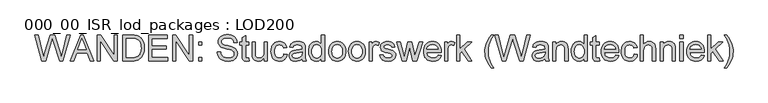
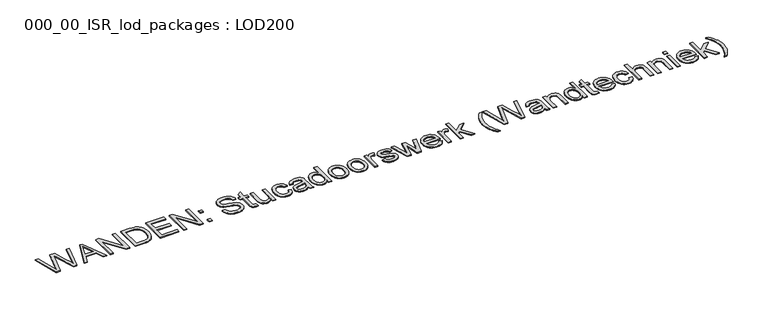
"""IFC4 building model written with IfcOpenShell, lengths in millimetres: proxy geometry, 000_00_ISR_lod_packages : LOD200."""

from ifc_helpers import new_model, si_unit, origin, origin_with_axes, place, context, project, spatial, polyline, outline, extrude, source, transform, mapped, element, save


def proxy_000_00_isr_lod_packages_lod200_cebc967c(model_context):
    return source(origin(), model_context, "Body", "SweptSolid", [
        extrude(outline(polyline([(725.9109848, 500.0), (512.2424242, 1283.5151515), (613.2424242, 1283.5151515), (737.1969697, 768.5681818), (775.4545455, 609.6079545), (816.3901515, 750.2045455), (971.7159091, 1283.5151515), (1117.2859848, 1283.5151515), (1230.1458333, 896.9223485), (1278.4938447, 753.4564394), (1314.1212121, 609.6079545), (1351.2310606, 763.9772727), (1476.3333333, 1283.5151515), (1577.3333333, 1283.5151515), (1363.4734848, 500.0), (1258.8390152, 500.0), (1070.9943182, 1104.469697), (1044.7878788, 1188.8276515), (1015.3295455, 1087.2537879), (844.1268939, 500.0), (725.9109848, 500.0)])), origin_with_axes(), (0.0, 0.0, 1.0), 25.0),
        extrude(outline(polyline([(1584.0284091, 500.0), (1896.7840909, 1283.5151515), (1980.1856061, 1283.5151515), (2292.9412879, 500.0), (2189.4545455, 500.0), (2099.7405303, 744.8484848), (1777.0378788, 744.8484848), (1687.5151515, 500.0), (1584.0284091, 500.0)]), holes=[polyline([(1813.0, 842.7878788), (2063.969697, 842.7878788), (1993.3844697, 1035.4147727), (1938.4848485, 1185.5757576), (1889.7064394, 1052.2481061), (1813.0, 842.7878788)])]), origin_with_axes(), (0.0, 0.0, 1.0), 25.0),
        extrude(outline(polyline([(2397.5757576, 500.0), (2397.5757576, 1283.5151515), (2502.4015152, 1283.5151515), (2911.7575758, 662.7859848), (2911.7575758, 1283.5151515), (3009.6969697, 1283.5151515), (3009.6969697, 500.0), (2904.8712121, 500.0), (2495.5151515, 1120.9204545), (2495.5151515, 500.0), (2397.5757576, 500.0)])), origin_with_axes(), (0.0, 0.0, 1.0), 25.0),
        extrude(outline(polyline([(3181.0909091, 500.0), (3181.0909091, 1283.5151515), (3451.3806818, 1283.5151515), (3532.1519886, 1280.6936553), (3591.2121212, 1272.2291667), (3623.6593277, 1262.9158381), (3653.6676136, 1250.4701705), (3681.2369792, 1234.8921638), (3706.3674242, 1216.1818182), (3735.4073153, 1188.1581439), (3760.5497159, 1156.5), (3781.7946259, 1121.2073864), (3799.1420455, 1082.280303), (3812.6158854, 1040.0774148), (3822.2400568, 994.9573864), (3828.0145597, 946.9202178), (3829.9393939, 895.9659091), (3824.7267992, 811.8709754), (3809.0890152, 737.8664773), (3785.2736742, 674.8610322), (3755.5284091, 623.7632576), (3721.2878788, 583.4254261), (3683.9867424, 552.6998106), (3641.1621686, 529.912642), (3590.3513258, 513.3901515), (3531.4585701, 503.3475379), (3464.3882576, 500.0), (3181.0909091, 500.0)]), holes=[polyline([(3279.030303, 597.9393939), (3452.3371212, 597.9393939), (3524.0222538, 601.4782197), (3578.3958333, 612.094697), (3619.4270833, 629.1671402), (3651.0852273, 652.0738636), (3669.1559541, 671.7107599), (3685.1105587, 694.4680398), (3698.9490412, 720.3457031), (3710.6714015, 749.34375), (3720.0026634, 781.5219579), (3726.6678504, 816.9401042), (3732.0, 897.4962121), (3729.3877249, 954.3565341), (3721.5508996, 1004.2348485), (3708.4895241, 1047.1311553), (3690.2035985, 1083.0454545), (3668.1756037, 1112.7907197), (3643.8880208, 1137.1799242), (3617.3408499, 1156.2130682), (3588.5340909, 1169.8901515), (3563.6427557, 1176.7526042), (3532.1998106, 1181.6543561), (3449.6590909, 1185.5757576), (3279.030303, 1185.5757576), (3279.030303, 597.9393939)])]), origin_with_axes(), (0.0, 0.0, 1.0), 25.0),
        extrude(outline(polyline([(3964.6060606, 500.0), (3964.6060606, 1283.5151515), (4527.7575758, 1283.5151515), (4527.7575758, 1185.5757576), (4062.5454545, 1185.5757576), (4062.5454545, 952.969697), (4503.2727273, 952.969697), (4503.2727273, 855.030303), (4062.5454545, 855.030303), (4062.5454545, 597.9393939), (4540.0, 597.9393939), (4540.0, 500.0), (3964.6060606, 500.0)])), origin_with_axes(), (0.0, 0.0, 1.0), 25.0),
        extrude(outline(polyline([(4686.9090909, 500.0), (4686.9090909, 1283.5151515), (4791.7348485, 1283.5151515), (5201.0909091, 662.7859848), (5201.0909091, 1283.5151515), (5299.030303, 1283.5151515), (5299.030303, 500.0), (5194.2045455, 500.0), (4784.8484848, 1120.9204545), (4784.8484848, 500.0), (4686.9090909, 500.0)])), origin_with_axes(), (0.0, 0.0, 1.0), 25.0),
        extrude(outline(polyline([(5482.6666667, 500.0), (5482.6666667, 597.9393939), (5580.6060606, 597.9393939), (5580.6060606, 500.0), (5482.6666667, 500.0)])), origin_with_axes(), (0.0, 0.0, 1.0), 25.0),
        extrude(outline(polyline([(5482.6666667, 977.4545455), (5482.6666667, 1075.3939394), (5580.6060606, 1075.3939394), (5580.6060606, 977.4545455), (5482.6666667, 977.4545455)])), origin_with_axes(), (0.0, 0.0, 1.0), 25.0),
        extrude(outline(polyline([(6045.8181818, 769.3333333), (6143.7575758, 769.3333333), (6154.9957386, 714.9836648), (6164.0221354, 691.8079427), (6175.3200758, 671.2982955), (6189.4634233, 653.0422585), (6207.0260417, 636.6273674), (6228.0079309, 622.0536222), (6252.4090909, 609.3210227), (6279.3328598, 598.9854995), (6307.8825758, 591.602983), (6369.8598485, 585.6969697), (6424.4247159, 590.1683239), (6472.1988636, 603.5823864), (6510.9107481, 624.8153409), (6526.0165128, 637.9424716), (6538.2888258, 652.7433712), (6554.5722064, 684.8080019), (6560.0, 718.4507576), (6555.9351326, 751.2327178), (6543.7405303, 779.5672348), (6533.4827178, 792.1384351), (6518.96875, 803.7412405), (6477.1723485, 824.0416667), (6425.4528883, 839.4164299), (6334.5672348, 861.438447), (6240.9557292, 886.1863163), (6181.0587121, 909.7386364), (6154.9060724, 925.340554), (6132.304214, 942.6879735), (6113.2531368, 961.7808949), (6097.7528409, 982.6193182), (6085.7435488, 1004.9880445), (6077.165483, 1028.671875), (6072.0186435, 1053.6708097), (6070.3030303, 1079.9848485), (6072.4251302, 1109.1502723), (6078.7914299, 1137.3473011), (6089.4019295, 1164.5759351), (6104.2566288, 1190.8361742), (6123.188151, 1215.0580019), (6146.0291193, 1236.1714015), (6172.7795336, 1254.1763731), (6203.4393939, 1269.0729167), (6236.9745502, 1280.747455), (6272.3508523, 1289.086411), (6309.5683002, 1294.0897846), (6348.6268939, 1295.7575758), (6391.2362689, 1294.0120739), (6431.2632576, 1288.7755682), (6468.7078598, 1280.0480587), (6503.5700758, 1267.8295455), (6535.2043087, 1252.2276278), (6562.9649621, 1233.3499053), (6586.852036, 1211.1963778), (6606.8655303, 1185.7670455), (6622.8500237, 1157.8031487), (6634.6500947, 1128.045928), (6642.2657434, 1096.4953835), (6645.6969697, 1063.1515152), (6547.7575758, 1063.1515152), (6541.2059659, 1094.4031723), (6529.7765152, 1121.5899621), (6513.4692235, 1144.7118845), (6492.2840909, 1163.7689394), (6465.8265862, 1178.665483), (6433.702178, 1189.3058712), (6395.9108665, 1195.6901042), (6352.4526515, 1197.8181818), (6307.6075994, 1195.7140152), (6269.2902462, 1189.4015152), (6237.5005919, 1178.8806818), (6212.2386364, 1164.1515152), (6192.9902936, 1146.4454309), (6179.2414773, 1126.9938447), (6170.9921875, 1105.7967566), (6168.2424242, 1082.8541667), (6170.1911695, 1063.1156487), (6176.0374053, 1045.2182765), (6185.7811316, 1029.1620502), (6199.4223485, 1014.9469697), (6220.8944129, 1001.4850852), (6254.7045455, 987.8797348), (6359.3390152, 960.2386364), (6467.3210227, 933.984375), (6532.6458333, 911.0776515), (6562.6720526, 894.3519176), (6588.477983, 875.545928), (6610.0636245, 854.6596828), (6627.4289773, 831.6931818), (6640.7772846, 806.7659801), (6650.3117898, 779.9976326), (6656.0324929, 751.3881392), (6657.9393939, 720.9375), (6655.7455611, 690.3015507), (6649.1640625, 660.5622633), (6638.1948982, 631.7196378), (6622.8380682, 603.7736742), (6603.362571, 577.8063447), (6580.0374053, 554.8996212), (6552.862571, 535.0535038), (6521.8380682, 518.2679924), (6487.8665365, 504.9196851), (6451.8506155, 495.3851799), (6413.7903054, 489.6644768), (6373.6856061, 487.7575758), (6323.5861151, 489.8139205), (6277.7308239, 495.9829545), (6236.1197325, 506.264678), (6198.7528409, 520.6590909), (6165.4029948, 539.1901042), (6135.8430398, 561.8816288), (6110.0729759, 588.7336648), (6088.092803, 619.7462121), (6070.3867188, 653.9150095), (6057.4389205, 690.2357955), (6049.2494081, 728.7085701), (6045.8181818, 769.3333333)])), origin_with_axes(), (0.0, 0.0, 1.0), 25.0),
        extrude(outline(polyline([(7000.7272727, 581.6799242), (7012.969697, 497.1306818), (6974.1860795, 490.1008523), (6939.7064394, 487.7575758), (6892.6974432, 491.8224432), (6857.6439394, 504.0170455), (6832.8721591, 522.8110795), (6816.7083333, 546.6742424), (6807.813447, 587.6576705), (6804.8484848, 657.8125), (6804.8484848, 977.4545455), (6731.3939394, 977.4545455), (6731.3939394, 1075.3939394), (6804.8484848, 1075.3939394), (6804.8484848, 1215.2253788), (6902.7878788, 1272.8030303), (6902.7878788, 1075.3939394), (7000.7272727, 1075.3939394), (7000.7272727, 977.4545455), (6902.7878788, 977.4545455), (6902.7878788, 660.6818182), (6904.079072, 628.4498106), (6907.9526515, 610.1818182), (6914.7194602, 600.0674716), (6924.6903409, 592.2964015), (6938.821733, 587.3468277), (6958.0700758, 585.6969697), (7000.7272727, 581.6799242)])), origin_with_axes(), (0.0, 0.0, 1.0), 25.0),
        extrude(outline(polyline([(7465.9393939, 500.0), (7465.9393939, 598.8958333), (7448.9506392, 572.8478042), (7430.5033144, 550.2728456), (7410.5974195, 531.1709576), (7389.2329545, 515.5421402), (7366.4099195, 503.3863932), (7342.1283144, 494.7037169), (7316.3881392, 489.494111), (7289.1893939, 487.7575758), (7241.4869792, 492.6354167), (7197.0842803, 507.2689394), (7159.8309659, 529.2670455), (7133.5767045, 556.2386364), (7115.9064867, 588.9966856), (7104.405303, 628.3541667), (7100.1013258, 665.4640152), (7098.6666667, 719.407197), (7098.6666667, 1075.3939394), (7196.6060606, 1075.3939394), (7196.6060606, 765.5075758), (7198.0885417, 703.530303), (7202.5359848, 665.655303), (7216.8108428, 632.3473011), (7227.7680516, 618.688151), (7241.2717803, 607.0255682), (7274.2928504, 591.0291193), (7314.2481061, 585.6969697), (7356.4988163, 591.1486742), (7396.0236742, 607.5037879), (7413.7118253, 619.3935251), (7428.6143466, 633.2559186), (7440.7312382, 649.0909683), (7450.0625, 666.8986742), (7461.9701705, 712.975142), (7465.9393939, 776.0284091), (7465.9393939, 1075.3939394), (7563.8787879, 1075.3939394), (7563.8787879, 500.0), (7465.9393939, 500.0)])), origin_with_axes(), (0.0, 0.0, 1.0), 25.0),
        extrude(outline(polyline([(8065.8181818, 708.1212121), (8163.7575758, 695.8787879), (8153.105232, 649.6648319), (8136.4512311, 608.7710701), (8113.7955729, 573.1975024), (8085.1382576, 542.9441288), (8051.6867898, 518.8000118), (8014.6486742, 501.554214), (7974.023911, 491.2067353), (7929.8125, 487.7575758), (7874.8829901, 492.5696615), (7825.632339, 507.0059186), (7782.0605469, 531.0663471), (7744.1676136, 564.750947), (7713.4957978, 607.4260772), (7691.587358, 658.4580966), (7678.442294, 717.8470052), (7674.0606061, 785.592803), (7675.9316406, 830.6231652), (7681.5447443, 872.7483428), (7690.8999171, 911.9683357), (7703.9971591, 948.2831439), (7720.9261364, 980.9634825), (7741.7765152, 1009.2800663), (7766.5482955, 1033.2328954), (7795.2414773, 1052.8219697), (7826.5588897, 1068.053267), (7859.2033617, 1078.9327652), (7893.1748935, 1085.460464), (7928.4734848, 1087.6363636), (7971.9257221, 1084.6474905), (8011.2294034, 1075.6808712), (8046.3845289, 1060.7365057), (8077.3910985, 1039.8143939), (8103.7230705, 1013.3927557), (8124.8544034, 981.9498106), (8140.7850971, 945.4855587), (8151.5151515, 904.0), (8053.5757576, 891.7575758), (8045.9302202, 914.6344105), (8035.8098958, 934.4865057), (8023.2147846, 951.3138613), (8008.1448864, 965.1164773), (7990.982777, 975.8704427), (7972.1110322, 983.5518466), (7951.529652, 988.1606889), (7929.2386364, 989.6969697), (7895.9605232, 986.6722301), (7865.9462595, 977.5980114), (7839.1958452, 962.4743134), (7815.7092803, 941.3011364), (7796.5864702, 913.5883049), (7782.9273201, 878.8456439), (7774.73183, 837.0731534), (7772.0, 788.2708333), (7774.6720526, 738.7332505), (7782.6882102, 696.4765625), (7796.048473, 661.5007694), (7814.7528409, 633.8058712), (7837.7731416, 612.7582268), (7864.0812027, 597.7241951), (7893.6770241, 588.703776), (7926.5606061, 585.6969697), (7953.059955, 587.573982), (7977.2758049, 593.2050189), (7999.2081558, 602.5900805), (8018.8570076, 615.7291667), (8035.6724077, 632.7657434), (8049.1044034, 653.8432765), (8059.1529948, 678.9617661), (8065.8181818, 708.1212121)])), origin_with_axes(), (0.0, 0.0, 1.0), 25.0),
        extrude(outline(polyline([(8616.7272727, 573.4545455), (8569.9334754, 533.3319129), (8546.0165128, 518.4712358), (8521.7528409, 507.0776515), (8471.085464, 492.5875947), (8416.8314394, 487.7575758), (8373.2237808, 490.6627604), (8334.9841383, 499.3783144), (8302.1125118, 513.9042377), (8274.6089015, 534.2405303), (8252.8917495, 559.0959991), (8237.3794981, 587.1794508), (8228.0721473, 618.4908854), (8224.969697, 653.030303), (8229.65625, 693.6311553), (8243.7159091, 730.5018939), (8265.4031723, 762.0643939), (8292.9725379, 786.7405303), (8325.3719223, 805.3910985), (8361.5492424, 818.8768939), (8446.2897727, 833.6060606), (8546.4289773, 849.1003788), (8616.1534091, 867.2727273), (8616.7272727, 889.0795455), (8615.0415483, 912.8231534), (8609.984375, 932.7888258), (8601.5557528, 948.9765625), (8589.7556818, 961.3863636), (8569.3596117, 973.7722538), (8544.5160985, 982.6193182), (8515.225142, 987.9275568), (8481.4867424, 989.6969697), (8423.1439394, 984.9865057), (8400.5719697, 979.0984257), (8382.3996212, 970.8551136), (8367.4672112, 959.610973), (8354.6150568, 944.7204072), (8343.8431581, 926.1834162), (8335.1515152, 904.0), (8237.2121212, 916.2424242), (8254.2128314, 969.8030303), (8265.8515033, 992.2793561), (8279.5823864, 1011.8863636), (8295.9972775, 1029.0185843), (8315.6879735, 1044.0705492), (8338.6544744, 1057.0422585), (8364.8967803, 1067.9337121), (8425.0807292, 1082.7107008), (8494.1117424, 1087.6363636), (8560.3212595, 1083.2845644), (8612.8058712, 1070.2291667), (8652.3785511, 1050.5982481), (8679.8522727, 1026.5198864), (8698.0724432, 996.7507102), (8709.8844697, 960.0473485), (8713.4711174, 926.1893939), (8714.6666667, 874.3503788), (8714.6666667, 752.5), (8715.9100379, 646.3591383), (8719.6401515, 582.3494318), (8727.0047348, 540.2900095), (8739.1515152, 500.0), (8641.2121212, 500.0), (8625.5265152, 534.0492424), (8616.7272727, 573.4545455)]), holes=[polyline([(8616.7272727, 769.3333333), (8550.9242424, 753.0260417), (8458.7234848, 739.3011364), (8407.912642, 731.7930871), (8374.4611742, 723.4242424), (8352.5348011, 712.5686553), (8336.2992424, 697.6003788), (8326.2566288, 679.6671402), (8322.9090909, 659.9166667), (8324.7323035, 644.6973248), (8330.2019413, 630.7930871), (8339.3180043, 618.2039536), (8352.0804924, 606.9299242), (8368.3698509, 597.6405066), (8388.0665246, 591.0052083), (8437.6818182, 585.6969697), (8490.2859848, 591.555161), (8514.2926136, 598.8779001), (8536.7689394, 609.1297348), (8574.4526515, 635.0253314), (8600.6590909, 665.8465909), (8612.2798295, 697.6003788), (8616.1534091, 741.5965909), (8616.7272727, 769.3333333)])]), origin_with_axes(), (0.0, 0.0, 1.0), 25.0),
        extrude(outline(polyline([(9204.3636364, 500.0), (9204.3636364, 592.3920455), (9175.0607244, 546.614465), (9158.0869141, 528.6304155), (9139.5648674, 513.9161932), (9119.4945845, 502.4717981), (9097.8760653, 494.2972301), (9074.7093099, 489.3924893), (9049.9943182, 487.7575758), (9017.6666667, 490.1247633), (8986.6780303, 497.2263258), (8957.0284091, 509.0622633), (8928.717803, 525.6325758), (8902.6309186, 546.4411103), (8879.6524621, 570.991714), (8859.7824337, 599.2843868), (8843.0208333, 631.3191288), (8829.7143703, 666.4862098), (8820.2097538, 704.1758996), (8814.5069839, 744.3881984), (8812.6060606, 787.1231061), (8814.3575402, 829.074929), (8819.6119792, 869.0421402), (8828.3693774, 907.0247396), (8840.6297348, 943.0227273), (8856.3870739, 975.9840199), (8875.6354167, 1004.8565341), (8898.3747633, 1029.6402699), (8924.6051136, 1050.3352273), (8953.3999171, 1066.6544744), (8983.8326231, 1078.3110795), (9015.9032315, 1085.3050426), (9049.6117424, 1087.6363636), (9074.2639678, 1085.9685724), (9097.5293561, 1080.9651989), (9119.4079072, 1072.6262429), (9139.8996212, 1060.9517045), (9175.8139205, 1030.273911), (9204.3636364, 991.6098485), (9204.3636364, 1283.5151515), (9302.3030303, 1283.5151515), (9302.3030303, 500.0), (9204.3636364, 500.0)]), holes=[polyline([(8910.5454545, 787.5056818), (8913.3071733, 740.0124882), (8921.5923295, 698.915483), (8935.4009233, 664.2146662), (8954.7329545, 635.9100379), (8977.8190104, 613.9418205), (9002.889678, 598.2502367), (9029.9449574, 588.8352865), (9058.9848485, 585.6969697), (9088.1622277, 588.6918205), (9115.056108, 597.6763731), (9139.6664891, 612.6506274), (9161.9933712, 633.6145833), (9180.5303622, 660.7356179), (9193.7710701, 694.181108), (9201.7154948, 733.9510535), (9204.3636364, 780.0454545), (9201.6676728, 830.581321), (9193.5797822, 873.9199811), (9180.0999645, 910.0614347), (9161.2282197, 939.0056818), (9138.4111624, 961.1831203), (9113.0954072, 977.0241477), (9085.2809541, 986.5287642), (9054.967803, 989.6969697), (9025.3540483, 986.6542969), (8998.2987689, 977.5262784), (8973.801965, 962.3129143), (8951.8636364, 941.0142045), (8933.7869318, 913.1638849), (8920.875, 878.2956913), (8913.1278409, 836.4096236), (8910.5454545, 787.5056818)])]), origin_with_axes(), (0.0, 0.0, 1.0), 25.0),
        extrude(outline(polyline([(9424.7272727, 787.6969697), (9430.0235559, 862.215554), (9436.6439098, 895.6102332), (9445.9124053, 926.4285038), (9457.8290424, 954.6703658), (9472.393821, 980.3358191), (9489.6067412, 1003.4248639), (9509.467803, 1023.9375), (9546.7928504, 1051.8057528), (9587.9914773, 1071.7116477), (9633.0636837, 1083.6551847), (9682.0094697, 1087.6363636), (9736.0423177, 1082.7884115), (9784.8984375, 1068.2445549), (9828.5778291, 1044.004794), (9867.0804924, 1010.0691288), (9898.5055043, 967.5852865), (9920.9519413, 917.7009943), (9934.4198035, 860.4162524), (9938.9090909, 795.7310606), (9936.9244792, 743.3062263), (9930.9706439, 696.7874053), (9921.0475852, 656.1745975), (9907.155303, 621.467803), (9889.467152, 591.4894058), (9868.1564867, 565.0617898), (9843.2233073, 542.184955), (9814.6676136, 522.8589015), (9783.6012666, 507.5020715), (9751.1361269, 496.5329072), (9717.2721946, 489.9514086), (9682.0094697, 487.7575758), (9627.1875592, 492.5875947), (9577.8771307, 507.0776515), (9534.0781842, 531.2277462), (9495.7907197, 565.0378788), (9464.7004616, 607.9341856), (9442.4931345, 659.342803), (9429.1687382, 719.2637311), (9424.7272727, 787.6969697)]), holes=[polyline([(9522.6666667, 787.8882576), (9525.5001184, 740.3831084), (9534.0004735, 699.2502367), (9548.167732, 664.4896425), (9568.0018939, 636.1013258), (9592.1280777, 614.04942), (9619.1714015, 598.2980587), (9649.1318655, 588.847242), (9682.0094697, 585.6969697), (9714.719697, 588.8651752), (9744.5606061, 598.3697917), (9771.532197, 614.2108191), (9795.6344697, 636.3882576), (9815.4686316, 665.0575284), (9829.6358902, 700.374053), (9838.1362453, 742.3378314), (9840.969697, 790.9488636), (9838.118312, 836.9476207), (9829.5641572, 877.0044981), (9815.3072325, 911.1194957), (9795.3475379, 939.2926136), (9771.155599, 961.3445194), (9744.2019413, 977.0958807), (9714.4865649, 986.5466974), (9682.0094697, 989.6969697), (9649.1318655, 986.5586529), (9619.1714015, 977.1437027), (9592.1280777, 961.4521188), (9568.0018939, 939.4839015), (9548.167732, 911.1792732), (9534.0004735, 876.4784564), (9525.5001184, 835.3814512), (9522.6666667, 787.8882576)])]), origin_with_axes(), (0.0, 0.0, 1.0), 25.0),
        extrude(outline(polyline([(10024.6060606, 787.6969697), (10029.9023438, 862.215554), (10036.5226977, 895.6102332), (10045.7911932, 926.4285038), (10057.7078303, 954.6703658), (10072.2726089, 980.3358191), (10089.4855291, 1003.4248639), (10109.3465909, 1023.9375), (10146.6716383, 1051.8057528), (10187.8702652, 1071.7116477), (10232.9424716, 1083.6551847), (10281.8882576, 1087.6363636), (10335.9211056, 1082.7884115), (10384.7772254, 1068.2445549), (10428.456617, 1044.004794), (10466.9592803, 1010.0691288), (10498.3842921, 967.5852865), (10520.8307292, 917.7009943), (10534.2985914, 860.4162524), (10538.7878788, 795.7310606), (10536.803267, 743.3062263), (10530.8494318, 696.7874053), (10520.9263731, 656.1745975), (10507.0340909, 621.467803), (10489.3459399, 591.4894058), (10468.0352746, 565.0617898), (10443.1020952, 542.184955), (10414.5464015, 522.8589015), (10383.4800545, 507.5020715), (10351.0149148, 496.5329072), (10317.1509825, 489.9514086), (10281.8882576, 487.7575758), (10227.0663471, 492.5875947), (10177.7559186, 507.0776515), (10133.9569721, 531.2277462), (10095.6695076, 565.0378788), (10064.5792495, 607.9341856), (10042.3719223, 659.342803), (10029.047526, 719.2637311), (10024.6060606, 787.6969697)]), holes=[polyline([(10122.5454545, 787.8882576), (10125.3789063, 740.3831084), (10133.8792614, 699.2502367), (10148.0465199, 664.4896425), (10167.8806818, 636.1013258), (10192.0068655, 614.04942), (10219.0501894, 598.2980587), (10249.0106534, 588.847242), (10281.8882576, 585.6969697), (10314.5984848, 588.8651752), (10344.4393939, 598.3697917), (10371.4109848, 614.2108191), (10395.5132576, 636.3882576), (10415.3474195, 665.0575284), (10429.514678, 700.374053), (10438.0150331, 742.3378314), (10440.8484848, 790.9488636), (10437.9970999, 836.9476207), (10429.4429451, 877.0044981), (10415.1860204, 911.1194957), (10395.2263258, 939.2926136), (10371.0343868, 961.3445194), (10344.0807292, 977.0958807), (10314.3653527, 986.5466974), (10281.8882576, 989.6969697), (10249.0106534, 986.5586529), (10219.0501894, 977.1437027), (10192.0068655, 961.4521188), (10167.8806818, 939.4839015), (10148.0465199, 911.1792732), (10133.8792614, 876.4784564), (10125.3789063, 835.3814512), (10122.5454545, 787.8882576)])]), origin_with_axes(), (0.0, 0.0, 1.0), 25.0),
        extrude(outline(polyline([(10648.969697, 500.0), (10648.969697, 1075.3939394), (10734.6666667, 1075.3939394), (10734.6666667, 990.2708333), (10766.3248106, 1039.6231061), (10795.4962121, 1068.6988636), (10824.7632576, 1082.9019886), (10856.7083333, 1087.6363636), (10881.0018939, 1085.7473958), (10905.4867424, 1080.0804924), (10930.1628788, 1070.6356534), (10955.030303, 1057.4128788), (10922.3200758, 969.6117424), (10887.8882576, 984.6756629), (10853.4564394, 989.6969697), (10824.2133049, 984.8669508), (10798.0785985, 970.3768939), (10776.9651989, 947.3267045), (10762.7859848, 916.8162879), (10750.8783144, 862.1079545), (10746.9090909, 802.4261364), (10746.9090909, 500.0), (10648.969697, 500.0)])), origin_with_axes(), (0.0, 0.0, 1.0), 25.0),
        extrude(outline(polyline([(10979.5151515, 671.3939394), (11077.4545455, 683.6363636), (11083.3725142, 661.3035038), (11092.9010417, 641.7443182), (11106.0401278, 624.9588068), (11122.7897727, 610.9469697), (11143.1977983, 599.9000947), (11167.3120265, 592.0094697), (11195.1324574, 587.2750947), (11226.6590909, 585.6969697), (11258.149858, 587.1435843), (11285.2888258, 591.483428), (11308.0759943, 598.7165009), (11326.5113636, 608.842803), (11340.7383996, 620.9178504), (11350.9005682, 633.9971591), (11356.9978693, 648.0807292), (11359.030303, 663.1685606), (11356.9859138, 676.3913352), (11350.8527462, 688.1316288), (11340.6308002, 698.3894413), (11326.3200758, 707.1647727), (11289.640625, 719.5984848), (11225.5113636, 735.092803), (11136.1321023, 760.9405777), (11078.0284091, 783.0104167), (11040.7033617, 807.0887784), (11025.8964844, 822.0510772), (11013.6600379, 838.9621212), (10997.2331913, 876.5980114), (10991.7575758, 917.9640152), (10996.157197, 955.9107481), (11009.3560606, 990.9403409), (11030.1586174, 1021.6659564), (11057.3693182, 1046.7007576), (11084.412642, 1062.4580966), (11119.6335227, 1075.6808712), (11160.3539299, 1084.6474905), (11203.8958333, 1087.6363636), (11267.6425189, 1082.8302557), (11323.0681818, 1068.4119318), (11367.6382576, 1045.7921402), (11384.9019886, 1031.9357244), (11398.8181818, 1016.3816288), (11419.4772727, 978.0044981), (11432.4848485, 928.4848485), (11334.5454545, 916.2424242), (11329.8768348, 932.6035156), (11322.1834754, 947.0636837), (11311.4653764, 959.6229285), (11297.7225379, 970.28125), (11280.8951823, 978.7756274), (11260.9235322, 984.8430398), (11211.5473485, 989.6969697), (11155.3087121, 985.0582386), (11134.2192235, 979.2598248), (11117.8162879, 971.1420455), (11096.7267992, 951.0568182), (11091.4544271, 939.8664773), (11089.6969697, 927.9109848), (11092.6141098, 912.8470644), (11101.3655303, 899.4090909), (11116.3338068, 887.4057765), (11137.9015152, 877.7935606), (11222.2594697, 856.9431818), (11308.7933239, 831.358428), (11366.0123106, 810.842803), (11403.9829545, 788.796875), (11432.7717803, 758.6212121), (11443.3583688, 740.4608191), (11450.9202178, 720.2201705), (11455.4573272, 697.8992661), (11456.969697, 673.4981061), (11455.1943063, 648.9893466), (11449.8681345, 625.1979167), (11440.9911813, 602.1238163), (11428.563447, 579.7670455), (11412.7881747, 559.0182884), (11393.868608, 540.7682292), (11371.8047467, 525.0168679), (11346.5965909, 511.7642045), (11318.9315814, 501.2613045), (11289.4971591, 493.759233), (11225.3200758, 487.7575758), (11172.6083097, 490.6508049), (11126.5677083, 499.3304924), (11087.1982718, 513.7966383), (11054.5, 534.0492424), (11027.7914299, 559.992661), (11006.3910985, 591.53125), (10990.2990057, 628.6650095), (10979.5151515, 671.3939394)])), origin_with_axes(), (0.0, 0.0, 1.0), 25.0),
        extrude(outline(polyline([(11662.6041667, 500.0), (11487.5757576, 1075.3939394), (11589.3409091, 1075.3939394), (11688.6193182, 739.6837121), (11718.2689394, 619.7462121), (11742.5625, 735.2840909), (11821.5643939, 1075.3939394), (11938.25, 1075.3939394), (12016.8693182, 736.2405303), (12038.4848485, 631.6060606), (12069.4734848, 741.9791667), (12168.9431818, 1075.3939394), (12271.0909091, 1075.3939394), (12094.7234848, 500.0), (11976.3162879, 500.0), (11901.1401515, 837.4318182), (11879.3333333, 942.6401515), (11782.3503788, 500.0), (11662.6041667, 500.0)])), origin_with_axes(), (0.0, 0.0, 1.0), 25.0),
        extrude(outline(polyline([(12741.2765152, 671.3939394), (12837.3030303, 659.1515152), (12822.5798414, 620.690696), (12802.7038352, 586.796875), (12777.6750118, 557.4700521), (12747.4933712, 532.7102273), (12712.4697562, 513.0434422), (12672.9150095, 498.9957386), (12628.8291312, 490.5671165), (12580.2121212, 487.7575758), (12519.4423532, 492.6055279), (12465.295928, 507.1493845), (12417.7728456, 531.3891454), (12376.8731061, 565.3248106), (12343.9835464, 608.0118963), (12320.4910038, 658.5059186), (12306.3954782, 716.8068774), (12301.6969697, 782.9147727), (12306.4433002, 851.2643229), (12320.6822917, 911.5080492), (12344.4139441, 963.6459517), (12377.6382576, 1007.6780303), (12418.4303977, 1042.6598011), (12464.8655303, 1067.6467803), (12516.9436553, 1082.6389678), (12574.6647727, 1087.6363636), (12630.5268111, 1082.6509233), (12681.0447443, 1067.6946023), (12726.2185724, 1042.7674006), (12766.0482955, 1007.8693182), (12798.5612571, 963.9328835), (12821.7848011, 911.890625), (12835.7189276, 851.7425426), (12840.3636364, 783.4886364), (12839.7897727, 757.0909091), (12399.6363636, 757.0909091), (12405.3092448, 718.0084044), (12416.5892519, 683.7798295), (12433.4763849, 654.4051847), (12455.9706439, 629.8844697), (12482.8286577, 610.5524384), (12512.8070549, 596.7438447), (12545.9058357, 588.4586884), (12582.125, 585.6969697), (12634.250947, 590.8139205), (12678.1515152, 606.1647727), (12697.0172822, 617.9170218), (12713.8267045, 632.7059659), (12728.5797822, 650.5316051), (12741.2765152, 671.3939394)]), holes=[polyline([(12399.6363636, 855.030303), (12742.4242424, 855.030303), (12737.3909801, 882.7431345), (12729.1775568, 906.7736742), (12717.7839725, 927.1219223), (12703.2102273, 943.7878788), (12676.5016572, 963.8731061), (12646.1107955, 978.219697), (12612.037642, 986.8276515), (12574.282197, 989.6969697), (12539.844401, 987.4074929), (12508.2639678, 980.5390625), (12479.5408973, 969.0916785), (12453.6751894, 953.0653409), (12431.9699929, 933.2012902), (12415.7284564, 910.240767), (12404.95058, 884.1837713), (12399.6363636, 855.030303)])]), origin_with_axes(), (0.0, 0.0, 1.0), 25.0),
        extrude(outline(polyline([(12938.3030303, 500.0), (12938.3030303, 1075.3939394), (13024.0, 1075.3939394), (13024.0, 990.2708333), (13055.6581439, 1039.6231061), (13084.8295455, 1068.6988636), (13114.0965909, 1082.9019886), (13146.0416667, 1087.6363636), (13170.3352273, 1085.7473958), (13194.8200758, 1080.0804924), (13219.4962121, 1070.6356534), (13244.3636364, 1057.4128788), (13211.6534091, 969.6117424), (13177.2215909, 984.6756629), (13142.7897727, 989.6969697), (13113.5466383, 984.8669508), (13087.4119318, 970.3768939), (13066.2985322, 947.3267045), (13052.1193182, 916.8162879), (13040.2116477, 862.1079545), (13036.2424242, 802.4261364), (13036.2424242, 500.0), (12938.3030303, 500.0)])), origin_with_axes(), (0.0, 0.0, 1.0), 25.0),
        extrude(outline(polyline([(13305.5757576, 500.0), (13305.5757576, 1283.5151515), (13403.5151515, 1283.5151515), (13403.5151515, 862.4905303), (13623.1136364, 1075.3939394), (13758.5454545, 1075.3939394), (13536.2689394, 859.8125), (13770.7878788, 500.0), (13656.3977273, 500.0), (13466.0662879, 791.7140152), (13403.5151515, 731.0757576), (13403.5151515, 500.0), (13305.5757576, 500.0)])), origin_with_axes(), (0.0, 0.0, 1.0), 25.0),
        extrude(outline(polyline([(14358.4242424, 279.6363636), (14318.887429, 330.7939157), (14282.5307765, 386.1358902), (14249.354285, 445.6622869), (14219.3579545, 509.3731061), (14194.5024858, 575.773911), (14176.7485795, 643.3702652), (14166.0962358, 712.1621686), (14162.5454545, 782.1496212), (14165.1995739, 843.6606297), (14173.1619318, 903.8565341), (14186.4325284, 962.7373343), (14205.0113636, 1020.3030303), (14233.2502367, 1086.3212595), (14268.2320076, 1152.1960227), (14309.9566761, 1217.9273201), (14358.4242424, 1283.5151515), (14431.8787879, 1283.5151515), (14374.2533144, 1190.4057765), (14340.2518939, 1128.3806818), (14308.9763258, 1054.7348485), (14285.1609848, 978.0284091), (14266.6538826, 880.0411932), (14260.4848485, 781.5757576), (14263.1628788, 718.7914891), (14271.1969697, 656.0191761), (14284.5871212, 593.2588187), (14303.3333333, 530.5104167), (14327.4356061, 467.7739702), (14356.8939394, 405.0494792), (14391.7083333, 342.3369437), (14431.8787879, 279.6363636), (14358.4242424, 279.6363636)])), origin_with_axes(), (0.0, 0.0, 1.0), 25.0),
        extrude(outline(polyline([(14682.2746212, 500.0), (14468.6060606, 1283.5151515), (14569.6060606, 1283.5151515), (14693.5606061, 768.5681818), (14731.8181818, 609.6079545), (14772.7537879, 750.2045455), (14928.0795455, 1283.5151515), (15073.6496212, 1283.5151515), (15186.5094697, 896.9223485), (15234.8574811, 753.4564394), (15270.4848485, 609.6079545), (15307.594697, 763.9772727), (15432.6969697, 1283.5151515), (15533.6969697, 1283.5151515), (15319.8371212, 500.0), (15215.2026515, 500.0), (15027.3579545, 1104.469697), (15001.1515152, 1188.8276515), (14971.6931818, 1087.2537879), (14800.4905303, 500.0), (14682.2746212, 500.0)])), origin_with_axes(), (0.0, 0.0, 1.0), 25.0),
        extrude(outline(polyline([(15986.6666667, 573.4545455), (15939.8728693, 533.3319129), (15915.9559067, 518.4712358), (15891.6922348, 507.0776515), (15841.024858, 492.5875947), (15786.7708333, 487.7575758), (15743.1631747, 490.6627604), (15704.9235322, 499.3783144), (15672.0519058, 513.9042377), (15644.5482955, 534.2405303), (15622.8311435, 559.0959991), (15607.318892, 587.1794508), (15598.0115412, 618.4908854), (15594.9090909, 653.030303), (15599.5956439, 693.6311553), (15613.655303, 730.5018939), (15635.3425663, 762.0643939), (15662.9119318, 786.7405303), (15695.3113163, 805.3910985), (15731.4886364, 818.8768939), (15816.2291667, 833.6060606), (15916.3683712, 849.1003788), (15986.092803, 867.2727273), (15986.6666667, 889.0795455), (15984.9809422, 912.8231534), (15979.9237689, 932.7888258), (15971.4951468, 948.9765625), (15959.6950758, 961.3863636), (15939.2990057, 973.7722538), (15914.4554924, 982.6193182), (15885.164536, 987.9275568), (15851.4261364, 989.6969697), (15793.0833333, 984.9865057), (15770.5113636, 979.0984257), (15752.3390152, 970.8551136), (15737.4066051, 959.610973), (15724.5544508, 944.7204072), (15713.7825521, 926.1834162), (15705.0909091, 904.0), (15607.1515152, 916.2424242), (15624.1522254, 969.8030303), (15635.7908973, 992.2793561), (15649.5217803, 1011.8863636), (15665.9366714, 1029.0185843), (15685.6273674, 1044.0705492), (15708.5938684, 1057.0422585), (15734.8361742, 1067.9337121), (15795.0201231, 1082.7107008), (15864.0511364, 1087.6363636), (15930.2606534, 1083.2845644), (15982.7452652, 1070.2291667), (16022.3179451, 1050.5982481), (16049.7916667, 1026.5198864), (16068.0118371, 996.7507102), (16079.8238636, 960.0473485), (16083.4105114, 926.1893939), (16084.6060606, 874.3503788), (16084.6060606, 752.5), (16085.8494318, 646.3591383), (16089.5795455, 582.3494318), (16096.9441288, 540.2900095), (16109.0909091, 500.0), (16011.1515152, 500.0), (15995.4659091, 534.0492424), (15986.6666667, 573.4545455)]), holes=[polyline([(15986.6666667, 769.3333333), (15920.8636364, 753.0260417), (15828.6628788, 739.3011364), (15777.852036, 731.7930871), (15744.4005682, 723.4242424), (15722.4741951, 712.5686553), (15706.2386364, 697.6003788), (15696.1960227, 679.6671402), (15692.8484848, 659.9166667), (15694.6716974, 644.6973248), (15700.1413352, 630.7930871), (15709.2573982, 618.2039536), (15722.0198864, 606.9299242), (15738.3092448, 597.6405066), (15758.0059186, 591.0052083), (15807.6212121, 585.6969697), (15860.2253788, 591.555161), (15884.2320076, 598.8779001), (15906.7083333, 609.1297348), (15944.3920455, 635.0253314), (15970.5984848, 665.8465909), (15982.2192235, 697.6003788), (15986.092803, 741.5965909), (15986.6666667, 769.3333333)])]), origin_with_axes(), (0.0, 0.0, 1.0), 25.0),
        extrude(outline(polyline([(16219.2727273, 500.0), (16219.2727273, 1075.3939394), (16317.2121212, 1075.3939394), (16317.2121212, 995.0530303), (16351.2374527, 1035.5582386), (16370.8145715, 1051.4709991), (16392.1013258, 1064.4905303), (16415.0977154, 1074.6168324), (16439.8037405, 1081.8499053), (16494.344697, 1087.6363636), (16542.6209754, 1082.9737216), (16586.8323864, 1068.9857955), (16623.703125, 1047.4180871), (16649.9573864, 1020.0160985), (16667.7710701, 986.8515625), (16679.3200758, 947.9962121), (16683.1936553, 910.8385417), (16684.4848485, 853.3087121), (16684.4848485, 500.0), (16586.5454545, 500.0), (16586.5454545, 840.1098485), (16583.7239583, 890.7533144), (16575.2594697, 926.7632576), (16559.6455966, 952.5632102), (16535.375947, 972.5767045), (16504.2677557, 985.4169034), (16468.1382576, 989.6969697), (16438.3989702, 987.2939157), (16410.7758049, 980.0847538), (16385.2687618, 968.0694839), (16361.8778409, 951.2481061), (16342.3365885, 927.7077415), (16328.3785511, 895.5355114), (16320.0037287, 854.7314157), (16317.2121212, 805.2954545), (16317.2121212, 500.0), (16219.2727273, 500.0)])), origin_with_axes(), (0.0, 0.0, 1.0), 25.0),
        extrude(outline(polyline([(17174.1818182, 500.0), (17174.1818182, 592.3920455), (17144.8789063, 546.614465), (17127.9050959, 528.6304155), (17109.3830492, 513.9161932), (17089.3127663, 502.4717981), (17067.6942472, 494.2972301), (17044.5274917, 489.3924893), (17019.8125, 487.7575758), (16987.4848485, 490.1247633), (16956.4962121, 497.2263258), (16926.8465909, 509.0622633), (16898.5359848, 525.6325758), (16872.4491004, 546.4411103), (16849.4706439, 570.991714), (16829.6006155, 599.2843868), (16812.8390152, 631.3191288), (16799.5325521, 666.4862098), (16790.0279356, 704.1758996), (16784.3251657, 744.3881984), (16782.4242424, 787.1231061), (16784.1757221, 829.074929), (16789.430161, 869.0421402), (16798.1875592, 907.0247396), (16810.4479167, 943.0227273), (16826.2052557, 975.9840199), (16845.4535985, 1004.8565341), (16868.1929451, 1029.6402699), (16894.4232955, 1050.3352273), (16923.218099, 1066.6544744), (16953.6508049, 1078.3110795), (16985.7214134, 1085.3050426), (17019.4299242, 1087.6363636), (17044.0821496, 1085.9685724), (17067.3475379, 1080.9651989), (17089.226089, 1072.6262429), (17109.717803, 1060.9517045), (17145.6321023, 1030.273911), (17174.1818182, 991.6098485), (17174.1818182, 1283.5151515), (17272.1212121, 1283.5151515), (17272.1212121, 500.0), (17174.1818182, 500.0)]), holes=[polyline([(16880.3636364, 787.5056818), (16883.1253551, 740.0124882), (16891.4105114, 698.915483), (16905.2191051, 664.2146662), (16924.5511364, 635.9100379), (16947.6371922, 613.9418205), (16972.7078598, 598.2502367), (16999.7631392, 588.8352865), (17028.8030303, 585.6969697), (17057.9804096, 588.6918205), (17084.8742898, 597.6763731), (17109.4846709, 612.6506274), (17131.811553, 633.6145833), (17150.348544, 660.7356179), (17163.5892519, 694.181108), (17171.5336766, 733.9510535), (17174.1818182, 780.0454545), (17171.4858546, 830.581321), (17163.397964, 873.9199811), (17149.9181463, 910.0614347), (17131.0464015, 939.0056818), (17108.2293442, 961.1831203), (17082.913589, 977.0241477), (17055.0991359, 986.5287642), (17024.7859848, 989.6969697), (16995.1722301, 986.6542969), (16968.1169508, 977.5262784), (16943.6201468, 962.3129143), (16921.6818182, 941.0142045), (16903.6051136, 913.1638849), (16890.6931818, 878.2956913), (16882.9460227, 836.4096236), (16880.3636364, 787.5056818)])]), origin_with_axes(), (0.0, 0.0, 1.0), 25.0),
        extrude(outline(polyline([(17627.1515152, 581.6799242), (17639.3939394, 497.1306818), (17600.610322, 490.1008523), (17566.1306818, 487.7575758), (17519.1216856, 491.8224432), (17484.0681818, 504.0170455), (17459.2964015, 522.8110795), (17443.1325758, 546.6742424), (17434.2376894, 587.6576705), (17431.2727273, 657.8125), (17431.2727273, 977.4545455), (17357.8181818, 977.4545455), (17357.8181818, 1075.3939394), (17431.2727273, 1075.3939394), (17431.2727273, 1215.2253788), (17529.2121212, 1272.8030303), (17529.2121212, 1075.3939394), (17627.1515152, 1075.3939394), (17627.1515152, 977.4545455), (17529.2121212, 977.4545455), (17529.2121212, 660.6818182), (17530.5033144, 628.4498106), (17534.3768939, 610.1818182), (17541.1437027, 600.0674716), (17551.1145833, 592.2964015), (17565.2459754, 587.3468277), (17584.4943182, 585.6969697), (17627.1515152, 581.6799242)])), origin_with_axes(), (0.0, 0.0, 1.0), 25.0),
        extrude(outline(polyline([(18127.9431818, 671.3939394), (18223.969697, 659.1515152), (18209.246508, 620.690696), (18189.3705019, 586.796875), (18164.3416785, 557.4700521), (18134.1600379, 532.7102273), (18099.1364228, 513.0434422), (18059.5816761, 498.9957386), (18015.4957978, 490.5671165), (17966.8787879, 487.7575758), (17906.1090199, 492.6055279), (17851.9625947, 507.1493845), (17804.4395123, 531.3891454), (17763.5397727, 565.3248106), (17730.6502131, 608.0118963), (17707.1576705, 658.5059186), (17693.0621449, 716.8068774), (17688.3636364, 782.9147727), (17693.1099669, 851.2643229), (17707.3489583, 911.5080492), (17731.0806108, 963.6459517), (17764.3049242, 1007.6780303), (17805.0970644, 1042.6598011), (17851.532197, 1067.6467803), (17903.610322, 1082.6389678), (17961.3314394, 1087.6363636), (18017.1934777, 1082.6509233), (18067.711411, 1067.6946023), (18112.8852391, 1042.7674006), (18152.7149621, 1007.8693182), (18185.2279238, 963.9328835), (18208.4514678, 911.890625), (18222.3855942, 851.7425426), (18227.030303, 783.4886364), (18226.4564394, 757.0909091), (17786.3030303, 757.0909091), (17791.9759115, 718.0084044), (17803.2559186, 683.7798295), (17820.1430516, 654.4051847), (17842.6373106, 629.8844697), (17869.4953243, 610.5524384), (17899.4737216, 596.7438447), (17932.5725024, 588.4586884), (17968.7916667, 585.6969697), (18020.9176136, 590.8139205), (18064.8181818, 606.1647727), (18083.6839489, 617.9170218), (18100.4933712, 632.7059659), (18115.2464489, 650.5316051), (18127.9431818, 671.3939394)]), holes=[polyline([(17786.3030303, 855.030303), (18129.0909091, 855.030303), (18124.0576468, 882.7431345), (18115.8442235, 906.7736742), (18104.4506392, 927.1219223), (18089.8768939, 943.7878788), (18063.1683239, 963.8731061), (18032.7774621, 978.219697), (17998.7043087, 986.8276515), (17960.9488636, 989.6969697), (17926.5110677, 987.4074929), (17894.9306345, 980.5390625), (17866.2075639, 969.0916785), (17840.3418561, 953.0653409), (17818.6366596, 933.2012902), (17802.3951231, 910.240767), (17791.6172467, 884.1837713), (17786.3030303, 855.030303)])]), origin_with_axes(), (0.0, 0.0, 1.0), 25.0),
        extrude(outline(polyline([(18692.2424242, 708.1212121), (18790.1818182, 695.8787879), (18779.5294744, 649.6648319), (18762.8754735, 608.7710701), (18740.2198153, 573.1975024), (18711.5625, 542.9441288), (18678.1110322, 518.8000118), (18641.0729167, 501.554214), (18600.4481534, 491.2067353), (18556.2367424, 487.7575758), (18501.3072325, 492.5696615), (18452.0565814, 507.0059186), (18408.4847893, 531.0663471), (18370.5918561, 564.750947), (18339.9200402, 607.4260772), (18318.0116004, 658.4580966), (18304.8665365, 717.8470052), (18300.4848485, 785.592803), (18302.355883, 830.6231652), (18307.9689867, 872.7483428), (18317.3241596, 911.9683357), (18330.4214015, 948.2831439), (18347.3503788, 980.9634825), (18368.2007576, 1009.2800663), (18392.9725379, 1033.2328954), (18421.6657197, 1052.8219697), (18452.9831321, 1068.053267), (18485.6276042, 1078.9327652), (18519.5991359, 1085.460464), (18554.8977273, 1087.6363636), (18598.3499645, 1084.6474905), (18637.6536458, 1075.6808712), (18672.8087713, 1060.7365057), (18703.8153409, 1039.8143939), (18730.147313, 1013.3927557), (18751.2786458, 981.9498106), (18767.2093395, 945.4855587), (18777.9393939, 904.0), (18680.0, 891.7575758), (18672.3544626, 914.6344105), (18662.2341383, 934.4865057), (18649.639027, 951.3138613), (18634.5691288, 965.1164773), (18617.4070194, 975.8704427), (18598.5352746, 983.5518466), (18577.9538944, 988.1606889), (18555.6628788, 989.6969697), (18522.3847656, 986.6722301), (18492.3705019, 977.5980114), (18465.6200876, 962.4743134), (18442.1335227, 941.3011364), (18423.0107126, 913.5883049), (18409.3515625, 878.8456439), (18401.1560724, 837.0731534), (18398.4242424, 788.2708333), (18401.096295, 738.7332505), (18409.1124527, 696.4765625), (18422.4727154, 661.5007694), (18441.1770833, 633.8058712), (18464.197384, 612.7582268), (18490.5054451, 597.7241951), (18520.1012666, 588.703776), (18552.9848485, 585.6969697), (18579.4841974, 587.573982), (18603.7000473, 593.2050189), (18625.6323982, 602.5900805), (18645.28125, 615.7291667), (18662.0966501, 632.7657434), (18675.5286458, 653.8432765), (18685.5772372, 678.9617661), (18692.2424242, 708.1212121)])), origin_with_axes(), (0.0, 0.0, 1.0), 25.0),
        extrude(outline(polyline([(18875.8787879, 500.0), (18875.8787879, 1283.5151515), (18973.8181818, 1283.5151515), (18973.8181818, 995.4356061), (19009.7922585, 1035.7734375), (19050.1898674, 1064.5861742), (19095.0110085, 1081.8738163), (19144.2556818, 1087.6363636), (19174.8736979, 1086.0642164), (19203.4114583, 1081.3477746), (19229.8689631, 1073.4870384), (19254.2462121, 1062.4820076), (19275.9215199, 1048.7033026), (19294.2732008, 1032.5215436), (19309.3012547, 1013.9367306), (19321.0056818, 992.9488636), (19329.7929688, 968.2607718), (19336.0696023, 938.5752841), (19341.0909091, 864.2121212), (19341.0909091, 500.0), (19243.1515152, 500.0), (19243.1515152, 854.0738636), (19241.2027699, 887.1427557), (19235.3565341, 915.3816288), (19225.6128078, 938.790483), (19211.9715909, 957.3693182), (19194.7556818, 971.5126657), (19174.2878788, 981.6150568), (19150.5681818, 987.6764915), (19123.5965909, 989.6969697), (19082.2066761, 984.2452652), (19043.3513258, 967.8901515), (19025.9082623, 956.0183475), (19011.1671402, 942.2097538), (18999.1279593, 926.4643703), (18989.7907197, 908.782197), (18977.8113163, 864.3555871), (18973.8181818, 805.6780303), (18973.8181818, 500.0), (18875.8787879, 500.0)])), origin_with_axes(), (0.0, 0.0, 1.0), 25.0),
        extrude(outline(polyline([(19475.7575758, 500.0), (19475.7575758, 1075.3939394), (19573.6969697, 1075.3939394), (19573.6969697, 995.0530303), (19607.7223011, 1035.5582386), (19627.29942, 1051.4709991), (19648.5861742, 1064.4905303), (19671.5825639, 1074.6168324), (19696.288589, 1081.8499053), (19750.8295455, 1087.6363636), (19799.1058239, 1082.9737216), (19843.3172348, 1068.9857955), (19880.1879735, 1047.4180871), (19906.4422348, 1020.0160985), (19924.2559186, 986.8515625), (19935.8049242, 947.9962121), (19939.6785038, 910.8385417), (19940.969697, 853.3087121), (19940.969697, 500.0), (19843.030303, 500.0), (19843.030303, 840.1098485), (19840.2088068, 890.7533144), (19831.7443182, 926.7632576), (19816.1304451, 952.5632102), (19791.8607955, 972.5767045), (19760.7526042, 985.4169034), (19724.6231061, 989.6969697), (19694.8838187, 987.2939157), (19667.2606534, 980.0847538), (19641.7536103, 968.0694839), (19618.3626894, 951.2481061), (19598.821437, 927.7077415), (19584.8633996, 895.5355114), (19576.4885772, 854.7314157), (19573.6969697, 805.2954545), (19573.6969697, 500.0), (19475.7575758, 500.0)])), origin_with_axes(), (0.0, 0.0, 1.0), 25.0),
        extrude(outline(polyline([(20075.6363636, 500.0), (20075.6363636, 1075.3939394), (20173.5757576, 1075.3939394), (20173.5757576, 500.0), (20075.6363636, 500.0)])), origin_with_axes(), (0.0, 0.0, 1.0), 25.0),
        extrude(outline(polyline([(20075.6363636, 1185.5757576), (20075.6363636, 1283.5151515), (20173.5757576, 1283.5151515), (20173.5757576, 1185.5757576), (20075.6363636, 1185.5757576)])), origin_with_axes(), (0.0, 0.0, 1.0), 25.0),
        extrude(outline(polyline([(20723.3371212, 671.3939394), (20819.3636364, 659.1515152), (20804.6404474, 620.690696), (20784.7644413, 586.796875), (20759.7356179, 557.4700521), (20729.5539773, 532.7102273), (20694.5303622, 513.0434422), (20654.9756155, 498.9957386), (20610.8897372, 490.5671165), (20562.2727273, 487.7575758), (20501.5029593, 492.6055279), (20447.3565341, 507.1493845), (20399.8334517, 531.3891454), (20358.9337121, 565.3248106), (20326.0441525, 608.0118963), (20302.5516098, 658.5059186), (20288.4560843, 716.8068774), (20283.7575758, 782.9147727), (20288.5039063, 851.2643229), (20302.7428977, 911.5080492), (20326.4745502, 963.6459517), (20359.6988636, 1007.6780303), (20400.4910038, 1042.6598011), (20446.9261364, 1067.6467803), (20499.0042614, 1082.6389678), (20556.7253788, 1087.6363636), (20612.5874171, 1082.6509233), (20663.1053504, 1067.6946023), (20708.2791785, 1042.7674006), (20748.1089015, 1007.8693182), (20780.6218632, 963.9328835), (20803.8454072, 911.890625), (20817.7795336, 851.7425426), (20822.4242424, 783.4886364), (20821.8503788, 757.0909091), (20381.6969697, 757.0909091), (20387.3698509, 718.0084044), (20398.649858, 683.7798295), (20415.536991, 654.4051847), (20438.03125, 629.8844697), (20464.8892637, 610.5524384), (20494.867661, 596.7438447), (20527.9664418, 588.4586884), (20564.1856061, 585.6969697), (20616.311553, 590.8139205), (20660.2121212, 606.1647727), (20679.0778883, 617.9170218), (20695.8873106, 632.7059659), (20710.6403883, 650.5316051), (20723.3371212, 671.3939394)]), holes=[polyline([(20381.6969697, 855.030303), (20724.4848485, 855.030303), (20719.4515862, 882.7431345), (20711.2381629, 906.7736742), (20699.8445786, 927.1219223), (20685.2708333, 943.7878788), (20658.5622633, 963.8731061), (20628.1714015, 978.219697), (20594.0982481, 986.8276515), (20556.342803, 989.6969697), (20521.9050071, 987.4074929), (20490.3245739, 980.5390625), (20461.6015033, 969.0916785), (20435.7357955, 953.0653409), (20414.030599, 933.2012902), (20397.7890625, 910.240767), (20387.0111861, 884.1837713), (20381.6969697, 855.030303)])]), origin_with_axes(), (0.0, 0.0, 1.0), 25.0),
        extrude(outline(polyline([(20920.3636364, 500.0), (20920.3636364, 1283.5151515), (21018.3030303, 1283.5151515), (21018.3030303, 862.4905303), (21237.9015152, 1075.3939394), (21373.3333333, 1075.3939394), (21151.0568182, 859.8125), (21385.5757576, 500.0), (21271.1856061, 500.0), (21080.8541667, 791.7140152), (21018.3030303, 731.0757576), (21018.3030303, 500.0), (20920.3636364, 500.0)])), origin_with_axes(), (0.0, 0.0, 1.0), 25.0),
        extrude(outline(polyline([(21495.7575758, 279.6363636), (21422.3030303, 279.6363636), (21462.4734848, 342.3369437), (21497.2878788, 405.0494792), (21526.7462121, 467.7739702), (21550.8484848, 530.5104167), (21569.594697, 593.2588187), (21582.9848485, 656.0191761), (21591.0189394, 718.7914891), (21593.6969697, 781.5757576), (21587.5279356, 879.3238636), (21569.0208333, 976.3068182), (21545.6358902, 1053.1567235), (21514.5037879, 1126.8503788), (21480.3589015, 1189.5449811), (21422.3030303, 1283.5151515), (21495.7575758, 1283.5151515), (21544.225142, 1217.9273201), (21585.9498106, 1152.1960227), (21620.9315814, 1086.3212595), (21649.1704545, 1020.3030303), (21667.7492898, 962.7373343), (21681.0198864, 903.8565341), (21688.9822443, 843.6606297), (21691.6363636, 782.1496212), (21688.0676491, 712.1621686), (21677.3615057, 643.3702652), (21659.5179332, 575.773911), (21634.5369318, 509.3731061), (21604.4509351, 445.6622869), (21571.2923769, 386.1358902), (21535.0612571, 330.7939157), (21495.7575758, 279.6363636)])), origin_with_axes(), (0.0, 0.0, 1.0), 25.0),
    ])


if __name__ == "__main__":
    model = new_model("IFC4")
    model_context = context("Model", 3, world=origin())
    ifc_project = project(units=[si_unit("LENGTHUNIT", "METRE", prefix="MILLI")], contexts=[model_context])
    site = spatial("IfcSite", under=ifc_project)
    building = spatial("IfcBuilding", under=site)
    placement = place(None, origin())
    proxy_000_00_isr_lod_packages_lod200_shape = proxy_000_00_isr_lod_packages_lod200_cebc967c(model_context)
    element("IfcBuildingElementProxy", 1, Name="000_00_ISR_lod_packages : LOD200", ObjectType="000_00_ISR_lod_packages : LOD200", at=placement, inside=building, context=model_context, shape_type="MappedRepresentation", body=[
        mapped(proxy_000_00_isr_lod_packages_lod200_shape, transform((0.0, 0.0, 0.0), x_axis=(1.0, 0.0, 0.0), y_axis=(0.0, 1.0, 0.0), z_axis=(0.0, 0.0, 1.0))),
    ])
    save(model, "model.ifc")
